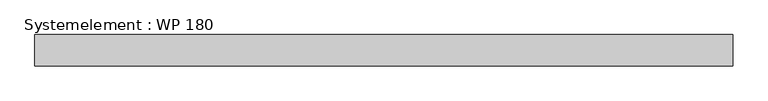
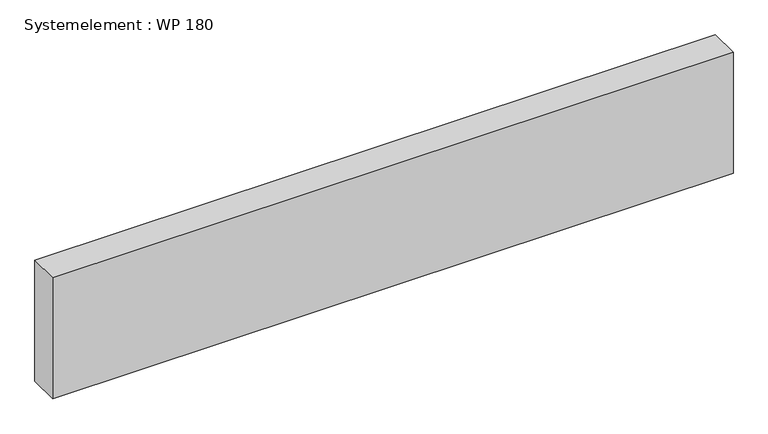
"""IFC4 building model written with IfcOpenShell, lengths in millimetres: plate geometry, Systemelement : WP 180."""

import ifcopenshell
import ifcopenshell.guid

model = None  # the IFC model being written
_history = None  # IfcOwnerHistory: only IFC2X3 demands one
_inside = {}  # id of a spatial element -> (the spatial element, [elements in it])
_under = {}  # id of a project, library or spatial element -> (it, [spatial elements below it])
_declared = {}  # id of a project -> (the project, [libraries it declares])
_typed = {}  # id of a type object -> (the type object, [elements of that type])
_made_of = {}  # id of a material, layer set ... -> (it, [elements and type objects made of it])


def new_model(schema):
    """Start an empty IFC model of exactly this schema.

    Asked for "IFC4X3", IfcOpenShell would pick the latest addendum, in which some entities
    have other attributes; the version numbers below select the first issue.
    IFC2X3 requires an IfcOwnerHistory on every rooted entity: one is made here for all.
    """
    global model, _history
    if schema == "IFC4X3":
        model = ifcopenshell.file(schema_version=(4, 3, 0, 0))
    else:
        model = ifcopenshell.file(schema=schema)
    _inside.clear()
    _under.clear()
    _declared.clear()
    _typed.clear()
    _made_of.clear()
    _history = None
    if model.schema == "IFC2X3":
        org = make("IfcOrganization", Name="unknown")
        user = make(
            "IfcPersonAndOrganization",
            ThePerson=make("IfcPerson", FamilyName="unknown"),
            TheOrganization=org,
        )
        app = make(
            "IfcApplication",
            ApplicationDeveloper=org,
            Version="unknown",
            ApplicationFullName="unknown",
            ApplicationIdentifier="unknown",
        )
        _history = make(
            "IfcOwnerHistory",
            OwningUser=user,
            OwningApplication=app,
            ChangeAction="ADDED",
            CreationDate=0,
        )
    return model


def make(cls, **values):
    """One entity of the class cls with the attributes given. An attribute that is None is left unset."""
    return model.create_entity(
        cls, **{name: value for name, value in values.items() if value is not None}
    )


def rooted(cls, **values):
    """An entity with a GlobalId (a new one), such as an element, a storey or a relation."""
    return make(cls, GlobalId=ifcopenshell.guid.new(), OwnerHistory=_history, **values)


def si_unit(unit_type, name, prefix=None):
    """IfcSIUnit, for example si_unit("LENGTHUNIT", "METRE", prefix="MILLI")."""
    return make("IfcSIUnit", UnitType=unit_type, Prefix=prefix, Name=name)


def assignment(units):
    """IfcUnitAssignment: the units of a project."""
    return None if units is None else make("IfcUnitAssignment", Units=units)


def point(xyz):
    """IfcCartesianPoint."""
    return None if xyz is None else make("IfcCartesianPoint", Coordinates=xyz)


def direction(xyz):
    """IfcDirection."""
    return None if xyz is None else make("IfcDirection", DirectionRatios=xyz)


def frame(location, z_axis=None, x_axis=None):
    """IfcAxis2Placement3D, a coordinate frame: its origin and axes. An axis left out is left unset."""
    return make(
        "IfcAxis2Placement3D",
        Location=point(location),
        Axis=direction(z_axis),
        RefDirection=direction(x_axis),
    )


def origin():
    """The frame at (0, 0, 0) with its axes left unset."""
    return frame((0.0, 0.0, 0.0))


def origin_with_axes():
    """The frame at (0, 0, 0) with the z axis (0, 0, 1) and the x axis (1, 0, 0) written out."""
    return frame((0.0, 0.0, 0.0), z_axis=(0.0, 0.0, 1.0), x_axis=(1.0, 0.0, 0.0))


def place(relative_to, where):
    """IfcLocalPlacement: puts the frame where relative to a parent placement (None: the world)."""
    return make(
        "IfcLocalPlacement", PlacementRelTo=relative_to, RelativePlacement=where
    )


def context(
    kind, dimensions, precision=None, world=None, true_north=None, identifier=None
):
    """IfcGeometricRepresentationContext, for example the 3D "Model" context."""
    return make(
        "IfcGeometricRepresentationContext",
        ContextIdentifier=identifier,
        ContextType=kind,
        CoordinateSpaceDimension=dimensions,
        Precision=precision,
        WorldCoordinateSystem=world,
        TrueNorth=true_north,
    )


def project(units=None, contexts=None):
    """IfcProject with its units and contexts."""
    return rooted(
        "IfcProject",
        Name="project",
        RepresentationContexts=contexts,
        UnitsInContext=assignment(units),
    )


def spatial(cls, under=None, at=None, **own):
    """A site, building, storey or space (cls), placed at a placement, below another one or the project."""
    s = rooted(cls, ObjectPlacement=at, **own)
    if under is not None:
        _under.setdefault(under.id(), (under, []))[1].append(s)
    return s


def polyline(points):
    """IfcPolyline through the points."""
    return make("IfcPolyline", Points=[point(p) for p in points])


def outline(outer, holes=None, kind="AREA"):
    """IfcArbitraryClosedProfileDef: a profile drawn as a closed curve; with holes, ...WithVoids."""
    if holes is None:
        return make("IfcArbitraryClosedProfileDef", ProfileType=kind, OuterCurve=outer)
    return make(
        "IfcArbitraryProfileDefWithVoids",
        ProfileType=kind,
        OuterCurve=outer,
        InnerCurves=holes,
    )


def extrude(swept, where, along, depth):
    """IfcExtrudedAreaSolid: the profile swept, set in the frame where, extruded along a direction by depth."""
    return make(
        "IfcExtrudedAreaSolid",
        SweptArea=swept,
        Position=where,
        ExtrudedDirection=direction(along),
        Depth=depth,
    )


def shape(context_of_items, identifier, shape_type, items):
    """IfcShapeRepresentation: the items that make up one representation, for example the "Body"."""
    return make(
        "IfcShapeRepresentation",
        ContextOfItems=context_of_items,
        RepresentationIdentifier=identifier,
        RepresentationType=shape_type,
        Items=items,
    )


def source(mapping_origin, context_of_items, identifier, shape_type, items):
    """IfcRepresentationMap: a shape defined once, which mapped items show again and again."""
    return make(
        "IfcRepresentationMap",
        MappingOrigin=mapping_origin,
        MappedRepresentation=shape(context_of_items, identifier, shape_type, items),
    )


def transform(
    local_origin,
    x_axis=None,
    y_axis=None,
    z_axis=None,
    scale=None,
    scale2=None,
    scale3=None,
    uniform=True,
):
    """IfcCartesianTransformationOperator3D, or its non-uniform kind. x_axis, y_axis, z_axis: its Axis1, 2, 3."""
    if uniform:
        return make(
            "IfcCartesianTransformationOperator3D",
            Axis1=direction(x_axis),
            Axis2=direction(y_axis),
            LocalOrigin=point(local_origin),
            Scale=scale,
            Axis3=direction(z_axis),
        )
    return make(
        "IfcCartesianTransformationOperator3DnonUniform",
        Axis1=direction(x_axis),
        Axis2=direction(y_axis),
        LocalOrigin=point(local_origin),
        Scale=scale,
        Axis3=direction(z_axis),
        Scale2=scale2,
        Scale3=scale3,
    )


def mapped(mapping_source, mapping_target):
    """IfcMappedItem: shows the shape of a source again, moved by a transform."""
    return make(
        "IfcMappedItem", MappingSource=mapping_source, MappingTarget=mapping_target
    )


def made_of(thing, what):
    """Note that an element or type object is made of a material, layer set ...; save() writes the relation."""
    if what is not None:
        _made_of.setdefault(what.id(), (what, []))[1].append(thing)
    return thing


def element(
    cls,
    number,
    at=None,
    inside=None,
    cuts=None,
    type_object=None,
    material=None,
    context=None,
    identifier="Body",
    shape_type=None,
    held_by="IfcProductDefinitionShape",
    body=None,
    shapes=None,
    **own,
):
    """One element of the class cls, such as IfcWall. Its Tag is "e" and its number.

    at: its placement. inside: the storey or other place that contains it. cuts: it is an
    opening in that element (IfcRelVoidsElement). A single representation is given by context,
    identifier, shape_type and body (its items); several are given by shapes. held_by: the class
    of the entity that holds the representations. save() writes the other relations.
    """
    e = rooted(cls, Tag="e%d" % number, ObjectPlacement=at, **own)
    if body is not None:
        shapes = [shape(context, identifier, shape_type, body)]
    if shapes is not None:
        e.Representation = make(held_by, Representations=shapes)
    if inside is not None:
        _inside.setdefault(inside.id(), (inside, []))[1].append(e)
    if cuts is not None:
        rooted(
            "IfcRelVoidsElement", RelatingBuildingElement=cuts, RelatedOpeningElement=e
        )
    if type_object is not None:
        _typed.setdefault(type_object.id(), (type_object, []))[1].append(e)
    return made_of(e, material)


def aggregate(whole, parts):
    """IfcRelAggregates: a whole, such as a stair, and the parts it consists of."""
    return rooted("IfcRelAggregates", RelatingObject=whole, RelatedObjects=parts)


def save(model, path):
    """Write the relations noted so far, then the file.

    IfcRelAggregates (storeys below a building ...), IfcRelContainedInSpatialStructure (elements
    in a storey), IfcRelDefinesByType, IfcRelAssociatesMaterial and IfcRelDeclares: one each for
    every whole, place, type object, material and project.
    """
    for whole, parts in _under.values():
        aggregate(whole, parts)
    for where, things in _inside.values():
        rooted(
            "IfcRelContainedInSpatialStructure",
            RelatedElements=things,
            RelatingStructure=where,
        )
    for kind, things in _typed.values():
        rooted("IfcRelDefinesByType", RelatedObjects=things, RelatingType=kind)
    for what, things in _made_of.values():
        rooted("IfcRelAssociatesMaterial", RelatedObjects=things, RelatingMaterial=what)
    for by, libraries in _declared.values():
        rooted("IfcRelDeclares", RelatingContext=by, RelatedDefinitions=libraries)
    model.write(path)


def systemelement_wp_180_0a7e2907(model_context):
    return source(origin(), model_context, "Body", "SweptSolid", [
        extrude(outline(polyline([(2000.0, -180.0), (-2000.0, -180.0), (-2000.0, 0.0), (2000.0, 0.0), (2000.0, -180.0)])), origin_with_axes(), (0.0, 0.0, 1.0), 751.6147161),
    ])


if __name__ == "__main__":
    model = new_model("IFC4")
    model_context = context("Model", 3, world=origin())
    ifc_project = project(units=[si_unit("LENGTHUNIT", "METRE", prefix="MILLI")], contexts=[model_context])
    site = spatial("IfcSite", under=ifc_project)
    building = spatial("IfcBuilding", under=site)
    placement = place(None, origin())
    systemelement_wp_180_shape = systemelement_wp_180_0a7e2907(model_context)
    element("IfcPlate", 1, ObjectType="Systemelement : WP 180", at=placement, inside=building, context=model_context, shape_type="MappedRepresentation", body=[
        mapped(systemelement_wp_180_shape, transform((0.0, 0.0, 0.0), x_axis=(1.0, 0.0, 0.0), y_axis=(0.0, 1.0, 0.0), z_axis=(0.0, 0.0, 1.0))),
    ])
    save(model, "model.ifc")
